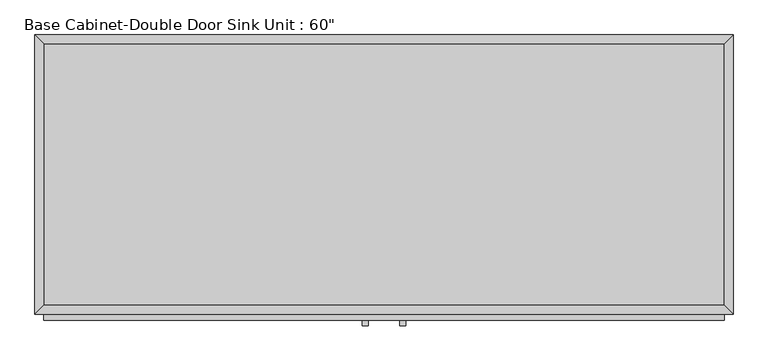
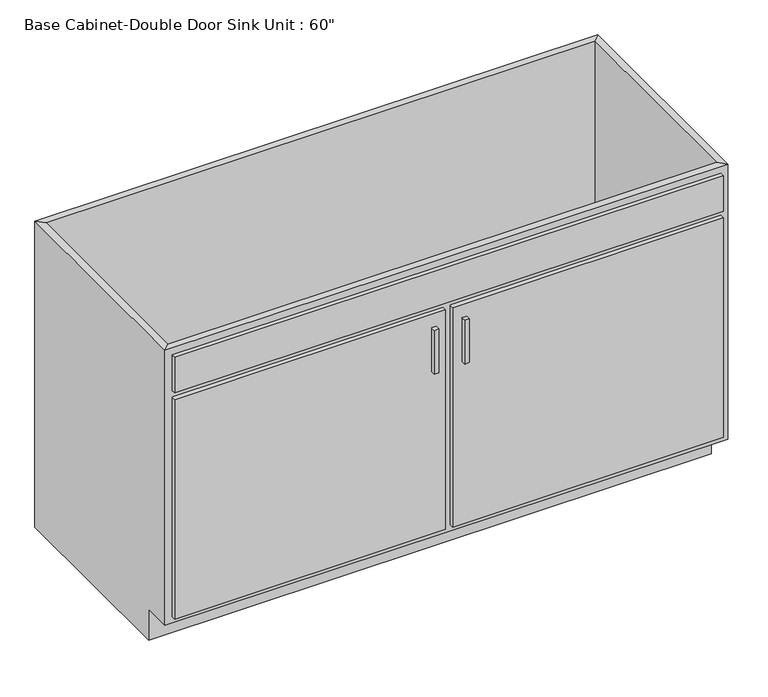
"""IFC4 building model written with IfcOpenShell, lengths in millimetres: furniture geometry."""

from ifc_helpers import new_model, si_unit, frame, origin, place, context, project, spatial, polyline, outline, extrude, faceted_brep, source, transform, mapped, element, save


def furniture_d21abaec(model_context):
    return source(origin(), model_context, "Body", "SolidModel", [
        faceted_brep([(761.6877049, -590.55, 876.3), (761.6877049, -590.55, 88.9), (-724.2122951, -590.55, 88.9), (-724.2122951, -590.55, 876.3), (-743.2622951, -609.6, 876.3), (780.7377049, -609.6, 876.3), (-743.2622951, -609.6, 88.9), (780.7377049, -609.6, 88.9), (-724.2122951, -533.4, 88.9), (-724.2122951, -19.05, 88.9), (-724.2122951, -19.05, 876.3), (-743.2622951, 0.0, 876.3), (-743.2622951, 0.0, 0.0), (-743.2622951, -533.4, 0.0), (-743.2622951, -533.4, 88.9), (761.6877049, -19.05, 88.9), (761.6877049, -19.05, 876.3), (780.7377049, 0.0, 876.3), (780.7377049, 0.0, 0.0), (761.6877049, -533.4, 88.9), (780.7377049, -533.4, 88.9), (780.7377049, -533.4, 0.0)], [[[0, 1, 2, 3]], [[0, 3, 4, 5]], [[5, 4, 6, 7]], [[2, 1, 7, 6]], [[3, 2, 8, 9, 10]], [[4, 3, 10, 11]], [[6, 4, 11, 12, 13, 14]], [[2, 6, 14, 8]], [[10, 9, 15, 16]], [[11, 10, 16, 17]], [[12, 11, 17, 18]], [[1, 0, 16, 15, 19]], [[0, 5, 17, 16]], [[5, 7, 20, 21, 18, 17]], [[7, 1, 19, 20]], [[8, 19, 15, 9]], [[18, 21, 13, 12]], [[13, 21, 20, 19, 8, 14]]]),
        extrude(outline(polyline([(-16.1872951, -635.0), (-28.8872951, -635.0), (-28.8872951, -622.3), (-16.1872951, -622.3), (-16.1872951, -635.0)])), frame((0.0, 0.0, 573.769895), z_axis=(0.0, 0.0, 1.0), x_axis=(1.0, 0.0, 0.0)), (0.0, 0.0, 1.0), 124.730105),
        extrude(outline(polyline([(66.3627049, -635.0), (53.6627049, -635.0), (53.6627049, -622.3), (66.3627049, -622.3), (66.3627049, -635.0)])), frame((0.0, 0.0, 573.769895), z_axis=(0.0, 0.0, 1.0), x_axis=(1.0, 0.0, 0.0)), (0.0, 0.0, 1.0), 124.730105),
        extrude(outline(polyline([(761.6877049, -19.05), (761.6877049, -590.55), (-724.2122951, -590.55), (-724.2122951, -19.05), (761.6877049, -19.05)])), frame((0.0, 0.0, 88.9), z_axis=(0.0, 0.0, 1.0), x_axis=(1.0, 0.0, 0.0)), (0.0, 0.0, 1.0), 19.05),
        extrude(outline(polyline([(9.2127049, -622.3), (-724.2122951, -622.3), (-724.2122951, -609.6), (9.2127049, -609.6), (9.2127049, -622.3)])), frame((0.0, 0.0, 107.95), z_axis=(0.0, 0.0, 1.0), x_axis=(1.0, 0.0, 0.0)), (0.0, 0.0, 1.0), 628.65),
        extrude(outline(polyline([(761.6877049, -622.3), (28.2627049, -622.3), (28.2627049, -609.6), (761.6877049, -609.6), (761.6877049, -622.3)])), frame((0.0, 0.0, 107.95), z_axis=(0.0, 0.0, 1.0), x_axis=(1.0, 0.0, 0.0)), (0.0, 0.0, 1.0), 628.65),
        extrude(outline(polyline([(761.6877049, -622.3), (-724.2122951, -622.3), (-724.2122951, -609.6), (761.6877049, -609.6), (761.6877049, -622.3)])), frame((0.0, 0.0, 755.65), z_axis=(0.0, 0.0, 1.0), x_axis=(1.0, 0.0, 0.0)), (0.0, 0.0, 1.0), 101.6),
    ])


if __name__ == "__main__":
    model = new_model("IFC4")
    model_context = context("Model", 3, world=origin())
    ifc_project = project(units=[si_unit("LENGTHUNIT", "METRE", prefix="MILLI")], contexts=[model_context])
    site = spatial("IfcSite", under=ifc_project)
    building = spatial("IfcBuilding", under=site)
    placement = place(None, origin())
    furniture_shape = furniture_d21abaec(model_context)
    element("IfcFurniture", 1, ObjectType="Base Cabinet-Double Door Sink Unit : 60\"", at=placement, inside=building, context=model_context, shape_type="MappedRepresentation", body=[
        mapped(furniture_shape, transform((0.0, 0.0, 0.0), x_axis=(1.0, 0.0, 0.0), y_axis=(0.0, 1.0, 0.0), z_axis=(0.0, 0.0, 1.0))),
    ])
    save(model, "model.ifc")
